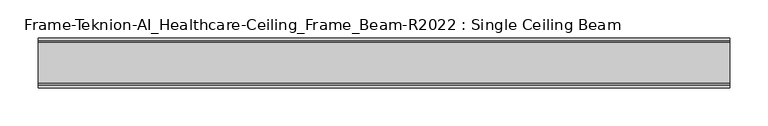
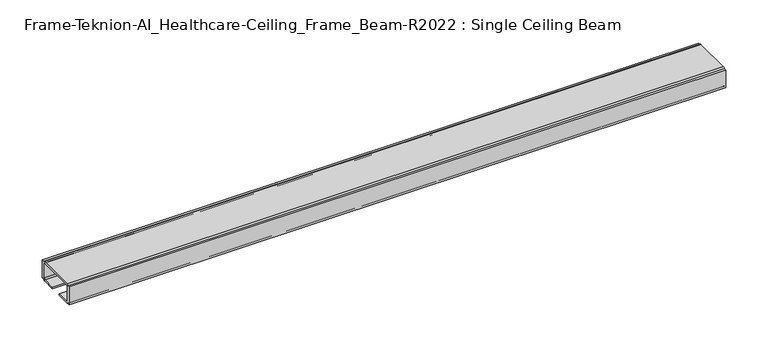
"""IFC4 building model written with IfcOpenShell, lengths in millimetres: furniture geometry, Frame-Teknion-AI_Healthcare-Ceiling_Frame_Beam-R2022 : Single Ceiling Beam."""

from ifc_helpers import new_model, si_unit, point, frame, frame_2d, origin, place, context, project, spatial, polyline, circle_curve, trimmed, segment, composite_curve, outline, extrude, source, transform, mapped, element, save


def frame_teknion_ai_healthcare_ceiling_frame_beam_r2022_single_50b96877(model_context):
    return source(origin(), model_context, "Body", "SweptSolid", [
        extrude(outline(composite_curve([segment(polyline([(32.174996, 1573.5046), (28.999999, 1573.5046), (28.999999, 1574.6129989)]), True, "CONTINUOUS"), segment(trimmed(circle_curve(frame_2d((26.5869991, 1574.6129989)), 2.413), [point((28.999999, 1574.6129989))], [point((26.5869991, 1572.199999))], False, "CARTESIAN"), True, "CONTINUOUS"), segment(polyline([(26.5869991, 1572.199999), (7.9374947, 1572.199999), (7.9374947, 1574.4859991), (25.4440002, 1574.4859991)]), True, "CONTINUOUS"), segment(trimmed(circle_curve(frame_2d((25.4440002, 1576.0099999)), 1.5240008), [point((25.4440002, 1574.4859991))], [point((26.968001, 1576.0099999))], True, "CARTESIAN"), True, "CONTINUOUS"), segment(polyline([(26.968001, 1576.0099999), (26.968001, 1597.1520009)]), True, "CONTINUOUS"), segment(trimmed(circle_curve(frame_2d((25.9520019, 1597.1520009)), 1.015999), [point((26.968001, 1597.1520009))], [point((25.9520019, 1598.168))], True, "CARTESIAN"), True, "CONTINUOUS"), segment(polyline([(25.9520019, 1598.168), (-25.9520019, 1598.168)]), True, "CONTINUOUS"), segment(trimmed(circle_curve(frame_2d((-25.9520019, 1597.1520009)), 1.015999), [point((-25.9520019, 1598.168))], [point((-26.968001, 1597.1520009))], True, "CARTESIAN"), True, "CONTINUOUS"), segment(polyline([(-26.968001, 1597.1520009), (-26.968001, 1576.0099999)]), True, "CONTINUOUS"), segment(trimmed(circle_curve(frame_2d((-25.4440002, 1576.0099999)), 1.5240008), [point((-26.968001, 1576.0099999))], [point((-25.4440002, 1574.4859991))], True, "CARTESIAN"), True, "CONTINUOUS"), segment(polyline([(-25.4440002, 1574.4859991), (-7.9374947, 1574.4859991), (-7.9374947, 1572.199999), (-26.5869991, 1572.199999)]), True, "CONTINUOUS"), segment(trimmed(circle_curve(frame_2d((-26.5869991, 1574.6129989)), 2.413), [point((-26.5869991, 1572.199999))], [point((-28.999999, 1574.6129989))], False, "CARTESIAN"), True, "CONTINUOUS"), segment(polyline([(-28.999999, 1574.6129989), (-28.999999, 1573.5046), (-32.174996, 1573.5046), (-32.174996, 1598.9045998), (-28.999999, 1598.9045998), (-28.999999, 1597.787)]), True, "CONTINUOUS"), segment(trimmed(circle_curve(frame_2d((-26.5869991, 1597.787)), 2.413), [point((-28.999999, 1597.787))], [point((-26.5869991, 1600.2))], False, "CARTESIAN"), True, "CONTINUOUS"), segment(polyline([(-26.5869991, 1600.2), (26.5869991, 1600.2)]), True, "CONTINUOUS"), segment(trimmed(circle_curve(frame_2d((26.5869991, 1597.787)), 2.413), [point((26.5869991, 1600.2))], [point((28.999999, 1597.787))], False, "CARTESIAN"), True, "CONTINUOUS"), segment(polyline([(28.999999, 1597.787), (28.999999, 1598.9045998), (32.174996, 1598.9045998), (32.174996, 1573.5046)]), True, "CONTINUOUS")], self_intersect=False)), frame((-448.9704, 0.0, 0.0), z_axis=(1.0, 0.0, 0.0), x_axis=(0.0, 1.0, 0.0)), (0.0, 0.0, 1.0), 897.9408),
    ])


if __name__ == "__main__":
    model = new_model("IFC4")
    model_context = context("Model", 3, world=origin())
    ifc_project = project(units=[si_unit("LENGTHUNIT", "METRE", prefix="MILLI")], contexts=[model_context])
    site = spatial("IfcSite", under=ifc_project)
    building = spatial("IfcBuilding", under=site)
    placement = place(None, origin())
    frame_teknion_ai_healthcare_ceiling_frame_beam_r2022_single_shape = frame_teknion_ai_healthcare_ceiling_frame_beam_r2022_single_50b96877(model_context)
    element("IfcFurniture", 1, ObjectType="Frame-Teknion-AI_Healthcare-Ceiling_Frame_Beam-R2022 : Single Ceiling Beam", at=placement, inside=building, context=model_context, shape_type="MappedRepresentation", body=[
        mapped(frame_teknion_ai_healthcare_ceiling_frame_beam_r2022_single_shape, transform((0.0, 0.0, 0.0), x_axis=(1.0, 0.0, 0.0), y_axis=(0.0, 1.0, 0.0), z_axis=(0.0, 0.0, 1.0))),
    ])
    save(model, "model.ifc")
